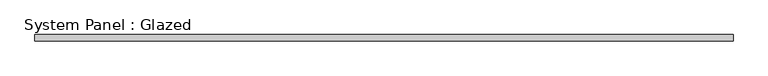
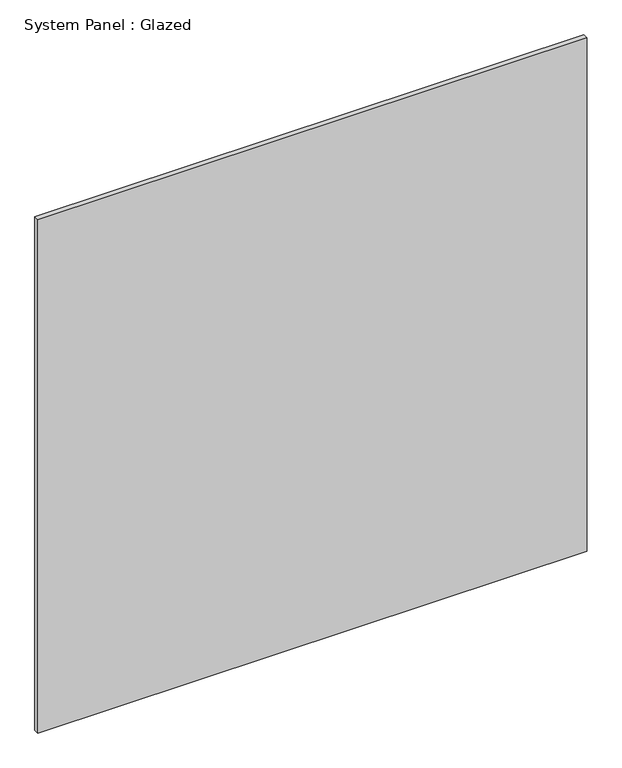
"""IFC4 building model written with IfcOpenShell, lengths in millimetres: plate geometry, System Panel : Glazed."""

from ifc_helpers import new_model, si_unit, origin, origin_with_axes, place, context, project, spatial, polyline, outline, extrude, source, transform, mapped, element, save


def system_panel_glazed_2246bba2(model_context):
    return source(origin(), model_context, "Body", "SweptSolid", [
        extrude(outline(polyline([(1350.0, 24.5), (-1350.0, 24.5), (-1350.0, 49.5), (1350.0, 49.5), (1350.0, 24.5)])), origin_with_axes(), (0.0, 0.0, 1.0), 2666.6666667),
    ])


if __name__ == "__main__":
    model = new_model("IFC4")
    model_context = context("Model", 3, world=origin())
    ifc_project = project(units=[si_unit("LENGTHUNIT", "METRE", prefix="MILLI")], contexts=[model_context])
    site = spatial("IfcSite", under=ifc_project)
    building = spatial("IfcBuilding", under=site)
    placement = place(None, origin())
    system_panel_glazed_shape = system_panel_glazed_2246bba2(model_context)
    element("IfcPlate", 1, ObjectType="System Panel : Glazed", at=placement, inside=building, context=model_context, shape_type="MappedRepresentation", body=[
        mapped(system_panel_glazed_shape, transform((0.0, 0.0, 0.0), x_axis=(1.0, 0.0, 0.0), y_axis=(0.0, 1.0, 0.0), z_axis=(0.0, 0.0, 1.0))),
    ])
    save(model, "model.ifc")
